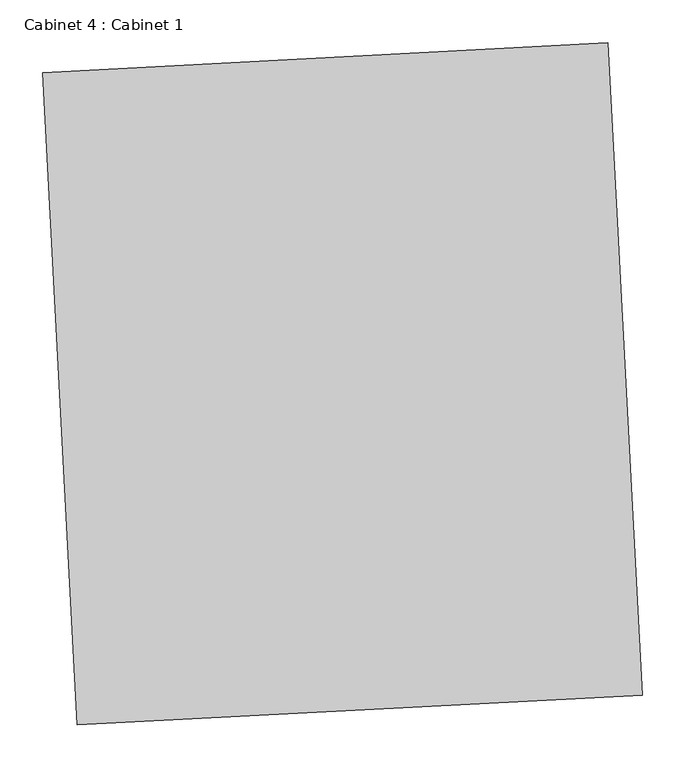
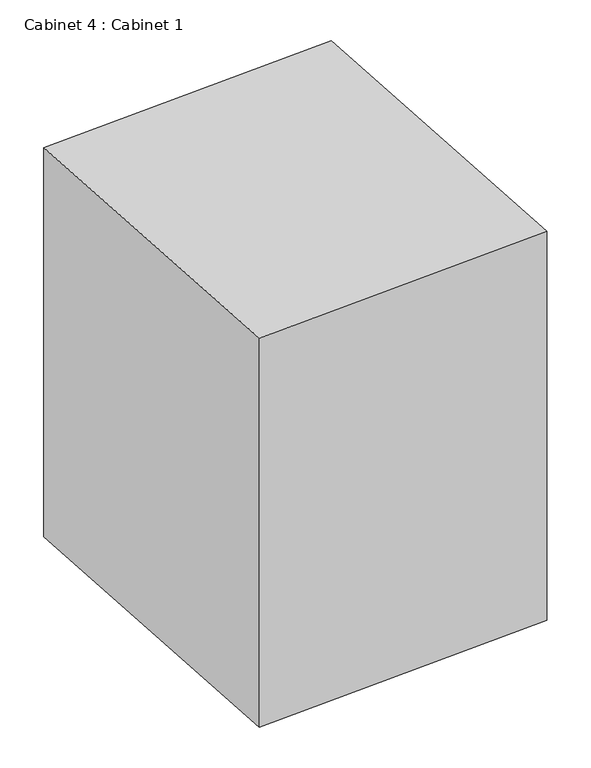
"""IFC4 building model written with IfcOpenShell, lengths in millimetres: furniture geometry, Cabinet 4 : Cabinet 1."""

from ifc_helpers import new_model, si_unit, frame, origin, place, context, project, spatial, polyline, outline, extrude, source, transform, mapped, element, save


def cabinet_4_cabinet_1_e2fb5d9c(model_context):
    return source(origin(), model_context, "Body", "SweptSolid", [
        extrude(outline(polyline([(14460.622267, -24971.857763), (14500.5022657, -25732.8134685), (13841.0073209, -25767.376134), (13801.1273223, -25006.4204285), (14460.622267, -24971.857763)])), frame((0.0, 0.0, 3810.0), z_axis=(0.0, 0.0, 1.0), x_axis=(1.0, 0.0, 0.0)), (0.0, 0.0, 1.0), 914.4),
    ])


if __name__ == "__main__":
    model = new_model("IFC4")
    model_context = context("Model", 3, world=origin())
    ifc_project = project(units=[si_unit("LENGTHUNIT", "METRE", prefix="MILLI")], contexts=[model_context])
    site = spatial("IfcSite", under=ifc_project)
    building = spatial("IfcBuilding", under=site)
    placement = place(None, origin())
    cabinet_4_cabinet_1_shape = cabinet_4_cabinet_1_e2fb5d9c(model_context)
    element("IfcFurniture", 1, ObjectType="Cabinet 4 : Cabinet 1", at=placement, inside=building, context=model_context, shape_type="MappedRepresentation", body=[
        mapped(cabinet_4_cabinet_1_shape, transform((0.0, 0.0, 0.0), x_axis=(1.0, 0.0, 0.0), y_axis=(0.0, 1.0, 0.0), z_axis=(0.0, 0.0, 1.0))),
    ])
    save(model, "model.ifc")
